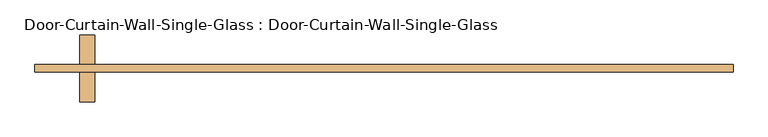
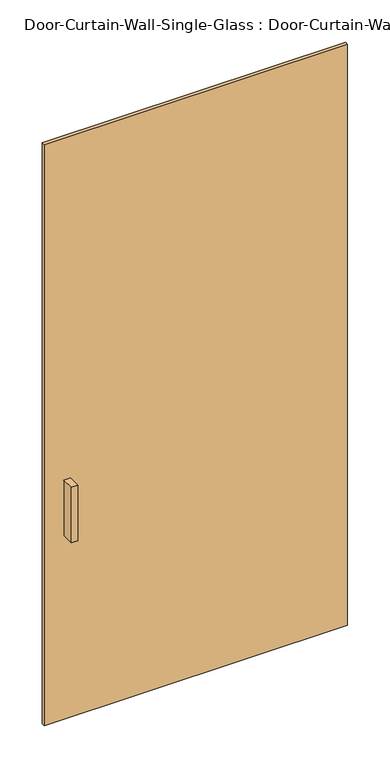
"""IFC4 building model written with IfcOpenShell, lengths in millimetres: door geometry, Door-Curtain-Wall-Single-Glass : Door-Curtain-Wall-Single-Glass."""

from ifc_helpers import new_model, si_unit, frame, origin, origin_with_axes, place, context, project, spatial, polyline, outline, extrude, source, transform, mapped, element, save


def door_curtain_wall_single_glass_door_curtain_wall_single_7012d0e2(model_context):
    return source(origin(), model_context, "Body", "SweptSolid", [
        extrude(outline(polyline([(593.725, 50.8), (593.725, 38.1), (-593.725, 38.1), (-593.725, 50.8), (593.725, 50.8)])), origin_with_axes(), (0.0, 0.0, 1.0), 2406.65),
        extrude(outline(polyline([(-492.125, -12.7), (-517.525, -12.7), (-517.525, 38.1), (-492.125, 38.1), (-492.125, -12.7)])), frame((0.0, 0.0, 762.0), z_axis=(0.0, 0.0, 1.0), x_axis=(1.0, 0.0, 0.0)), (0.0, 0.0, 1.0), 228.6),
        extrude(outline(polyline([(-517.525, 101.6), (-492.125, 101.6), (-492.125, 50.8), (-517.525, 50.8), (-517.525, 101.6)])), frame((0.0, 0.0, 762.0), z_axis=(0.0, 0.0, 1.0), x_axis=(1.0, 0.0, 0.0)), (0.0, 0.0, 1.0), 228.6),
    ])


if __name__ == "__main__":
    model = new_model("IFC4")
    model_context = context("Model", 3, world=origin())
    ifc_project = project(units=[si_unit("LENGTHUNIT", "METRE", prefix="MILLI")], contexts=[model_context])
    site = spatial("IfcSite", under=ifc_project)
    building = spatial("IfcBuilding", under=site)
    placement = place(None, origin())
    door_curtain_wall_single_glass_door_curtain_wall_single_shape = door_curtain_wall_single_glass_door_curtain_wall_single_7012d0e2(model_context)
    element("IfcDoor", 1, ObjectType="Door-Curtain-Wall-Single-Glass : Door-Curtain-Wall-Single-Glass", at=placement, inside=building, context=model_context, shape_type="MappedRepresentation", body=[
        mapped(door_curtain_wall_single_glass_door_curtain_wall_single_shape, transform((0.0, 0.0, 0.0), x_axis=(1.0, 0.0, 0.0), y_axis=(0.0, 1.0, 0.0), z_axis=(0.0, 0.0, 1.0))),
    ])
    save(model, "model.ifc")
